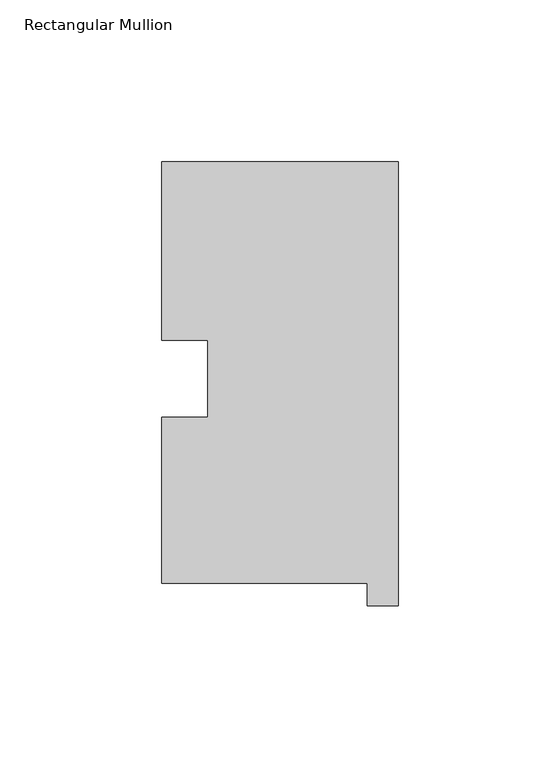
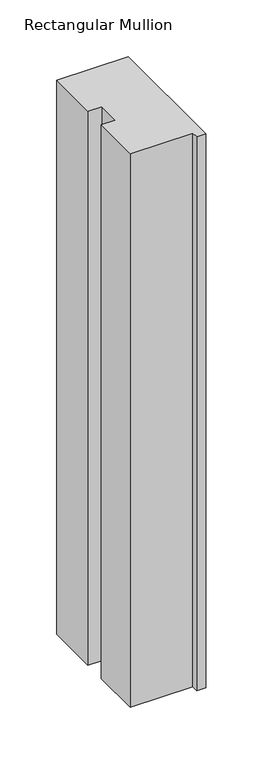
"""IFC4 building model written with IfcOpenShell, lengths in millimetres: member geometry, Rectangular Mullion."""

import ifcopenshell
import ifcopenshell.guid

model = None  # the IFC model being written
_history = None  # IfcOwnerHistory: only IFC2X3 demands one
_inside = {}  # id of a spatial element -> (the spatial element, [elements in it])
_under = {}  # id of a project, library or spatial element -> (it, [spatial elements below it])
_declared = {}  # id of a project -> (the project, [libraries it declares])
_typed = {}  # id of a type object -> (the type object, [elements of that type])
_made_of = {}  # id of a material, layer set ... -> (it, [elements and type objects made of it])


def new_model(schema):
    """Start an empty IFC model of exactly this schema.

    Asked for "IFC4X3", IfcOpenShell would pick the latest addendum, in which some entities
    have other attributes; the version numbers below select the first issue.
    IFC2X3 requires an IfcOwnerHistory on every rooted entity: one is made here for all.
    """
    global model, _history
    if schema == "IFC4X3":
        model = ifcopenshell.file(schema_version=(4, 3, 0, 0))
    else:
        model = ifcopenshell.file(schema=schema)
    _inside.clear()
    _under.clear()
    _declared.clear()
    _typed.clear()
    _made_of.clear()
    _history = None
    if model.schema == "IFC2X3":
        org = make("IfcOrganization", Name="unknown")
        user = make(
            "IfcPersonAndOrganization",
            ThePerson=make("IfcPerson", FamilyName="unknown"),
            TheOrganization=org,
        )
        app = make(
            "IfcApplication",
            ApplicationDeveloper=org,
            Version="unknown",
            ApplicationFullName="unknown",
            ApplicationIdentifier="unknown",
        )
        _history = make(
            "IfcOwnerHistory",
            OwningUser=user,
            OwningApplication=app,
            ChangeAction="ADDED",
            CreationDate=0,
        )
    return model


def make(cls, **values):
    """One entity of the class cls with the attributes given. An attribute that is None is left unset."""
    return model.create_entity(
        cls, **{name: value for name, value in values.items() if value is not None}
    )


def rooted(cls, **values):
    """An entity with a GlobalId (a new one), such as an element, a storey or a relation."""
    return make(cls, GlobalId=ifcopenshell.guid.new(), OwnerHistory=_history, **values)


def si_unit(unit_type, name, prefix=None):
    """IfcSIUnit, for example si_unit("LENGTHUNIT", "METRE", prefix="MILLI")."""
    return make("IfcSIUnit", UnitType=unit_type, Prefix=prefix, Name=name)


def assignment(units):
    """IfcUnitAssignment: the units of a project."""
    return None if units is None else make("IfcUnitAssignment", Units=units)


def point(xyz):
    """IfcCartesianPoint."""
    return None if xyz is None else make("IfcCartesianPoint", Coordinates=xyz)


def direction(xyz):
    """IfcDirection."""
    return None if xyz is None else make("IfcDirection", DirectionRatios=xyz)


def frame(location, z_axis=None, x_axis=None):
    """IfcAxis2Placement3D, a coordinate frame: its origin and axes. An axis left out is left unset."""
    return make(
        "IfcAxis2Placement3D",
        Location=point(location),
        Axis=direction(z_axis),
        RefDirection=direction(x_axis),
    )


def origin():
    """The frame at (0, 0, 0) with its axes left unset."""
    return frame((0.0, 0.0, 0.0))


def place(relative_to, where):
    """IfcLocalPlacement: puts the frame where relative to a parent placement (None: the world)."""
    return make(
        "IfcLocalPlacement", PlacementRelTo=relative_to, RelativePlacement=where
    )


def context(
    kind, dimensions, precision=None, world=None, true_north=None, identifier=None
):
    """IfcGeometricRepresentationContext, for example the 3D "Model" context."""
    return make(
        "IfcGeometricRepresentationContext",
        ContextIdentifier=identifier,
        ContextType=kind,
        CoordinateSpaceDimension=dimensions,
        Precision=precision,
        WorldCoordinateSystem=world,
        TrueNorth=true_north,
    )


def project(units=None, contexts=None):
    """IfcProject with its units and contexts."""
    return rooted(
        "IfcProject",
        Name="project",
        RepresentationContexts=contexts,
        UnitsInContext=assignment(units),
    )


def spatial(cls, under=None, at=None, **own):
    """A site, building, storey or space (cls), placed at a placement, below another one or the project."""
    s = rooted(cls, ObjectPlacement=at, **own)
    if under is not None:
        _under.setdefault(under.id(), (under, []))[1].append(s)
    return s


def polyline(points):
    """IfcPolyline through the points."""
    return make("IfcPolyline", Points=[point(p) for p in points])


def outline(outer, holes=None, kind="AREA"):
    """IfcArbitraryClosedProfileDef: a profile drawn as a closed curve; with holes, ...WithVoids."""
    if holes is None:
        return make("IfcArbitraryClosedProfileDef", ProfileType=kind, OuterCurve=outer)
    return make(
        "IfcArbitraryProfileDefWithVoids",
        ProfileType=kind,
        OuterCurve=outer,
        InnerCurves=holes,
    )


def extrude(swept, where, along, depth):
    """IfcExtrudedAreaSolid: the profile swept, set in the frame where, extruded along a direction by depth."""
    return make(
        "IfcExtrudedAreaSolid",
        SweptArea=swept,
        Position=where,
        ExtrudedDirection=direction(along),
        Depth=depth,
    )


def shape(context_of_items, identifier, shape_type, items):
    """IfcShapeRepresentation: the items that make up one representation, for example the "Body"."""
    return make(
        "IfcShapeRepresentation",
        ContextOfItems=context_of_items,
        RepresentationIdentifier=identifier,
        RepresentationType=shape_type,
        Items=items,
    )


def source(mapping_origin, context_of_items, identifier, shape_type, items):
    """IfcRepresentationMap: a shape defined once, which mapped items show again and again."""
    return make(
        "IfcRepresentationMap",
        MappingOrigin=mapping_origin,
        MappedRepresentation=shape(context_of_items, identifier, shape_type, items),
    )


def transform(
    local_origin,
    x_axis=None,
    y_axis=None,
    z_axis=None,
    scale=None,
    scale2=None,
    scale3=None,
    uniform=True,
):
    """IfcCartesianTransformationOperator3D, or its non-uniform kind. x_axis, y_axis, z_axis: its Axis1, 2, 3."""
    if uniform:
        return make(
            "IfcCartesianTransformationOperator3D",
            Axis1=direction(x_axis),
            Axis2=direction(y_axis),
            LocalOrigin=point(local_origin),
            Scale=scale,
            Axis3=direction(z_axis),
        )
    return make(
        "IfcCartesianTransformationOperator3DnonUniform",
        Axis1=direction(x_axis),
        Axis2=direction(y_axis),
        LocalOrigin=point(local_origin),
        Scale=scale,
        Axis3=direction(z_axis),
        Scale2=scale2,
        Scale3=scale3,
    )


def mapped(mapping_source, mapping_target):
    """IfcMappedItem: shows the shape of a source again, moved by a transform."""
    return make(
        "IfcMappedItem", MappingSource=mapping_source, MappingTarget=mapping_target
    )


def made_of(thing, what):
    """Note that an element or type object is made of a material, layer set ...; save() writes the relation."""
    if what is not None:
        _made_of.setdefault(what.id(), (what, []))[1].append(thing)
    return thing


def element(
    cls,
    number,
    at=None,
    inside=None,
    cuts=None,
    type_object=None,
    material=None,
    context=None,
    identifier="Body",
    shape_type=None,
    held_by="IfcProductDefinitionShape",
    body=None,
    shapes=None,
    **own,
):
    """One element of the class cls, such as IfcWall. Its Tag is "e" and its number.

    at: its placement. inside: the storey or other place that contains it. cuts: it is an
    opening in that element (IfcRelVoidsElement). A single representation is given by context,
    identifier, shape_type and body (its items); several are given by shapes. held_by: the class
    of the entity that holds the representations. save() writes the other relations.
    """
    e = rooted(cls, Tag="e%d" % number, ObjectPlacement=at, **own)
    if body is not None:
        shapes = [shape(context, identifier, shape_type, body)]
    if shapes is not None:
        e.Representation = make(held_by, Representations=shapes)
    if inside is not None:
        _inside.setdefault(inside.id(), (inside, []))[1].append(e)
    if cuts is not None:
        rooted(
            "IfcRelVoidsElement", RelatingBuildingElement=cuts, RelatedOpeningElement=e
        )
    if type_object is not None:
        _typed.setdefault(type_object.id(), (type_object, []))[1].append(e)
    return made_of(e, material)


def aggregate(whole, parts):
    """IfcRelAggregates: a whole, such as a stair, and the parts it consists of."""
    return rooted("IfcRelAggregates", RelatingObject=whole, RelatedObjects=parts)


def save(model, path):
    """Write the relations noted so far, then the file.

    IfcRelAggregates (storeys below a building ...), IfcRelContainedInSpatialStructure (elements
    in a storey), IfcRelDefinesByType, IfcRelAssociatesMaterial and IfcRelDeclares: one each for
    every whole, place, type object, material and project.
    """
    for whole, parts in _under.values():
        aggregate(whole, parts)
    for where, things in _inside.values():
        rooted(
            "IfcRelContainedInSpatialStructure",
            RelatedElements=things,
            RelatingStructure=where,
        )
    for kind, things in _typed.values():
        rooted("IfcRelDefinesByType", RelatedObjects=things, RelatingType=kind)
    for what, things in _made_of.values():
        rooted("IfcRelAssociatesMaterial", RelatedObjects=things, RelatingMaterial=what)
    for by, libraries in _declared.values():
        rooted("IfcRelDeclares", RelatingContext=by, RelatedDefinitions=libraries)
    model.write(path)


def rectangular_mullion_dfad20b2(model_context):
    return source(origin(), model_context, "Body", "SweptSolid", [
        extrude(outline(polyline([(-9.525, 0.26035), (-73.025, 0.26035), (-73.025, 51.60645), (-58.785125, 51.60645), (-58.785125, 75.40625), (-73.025, 75.40625), (-73.025, 130.56235), (0.0, 130.56235), (0.0, -6.64845), (-9.525, -6.64845), (-9.525, 0.26035)])), frame((0.0, 0.0, -596.9063827), z_axis=(0.0, 0.0, 1.0), x_axis=(1.0, 0.0, 0.0)), (0.0, 0.0, 1.0), 596.9063827),
    ])


if __name__ == "__main__":
    model = new_model("IFC4")
    model_context = context("Model", 3, world=origin())
    ifc_project = project(units=[si_unit("LENGTHUNIT", "METRE", prefix="MILLI")], contexts=[model_context])
    site = spatial("IfcSite", under=ifc_project)
    building = spatial("IfcBuilding", under=site)
    placement = place(None, origin())
    rectangular_mullion_shape = rectangular_mullion_dfad20b2(model_context)
    element("IfcMember", 1, ObjectType="Rectangular Mullion", at=placement, inside=building, context=model_context, shape_type="MappedRepresentation", body=[
        mapped(rectangular_mullion_shape, transform((0.0, 0.0, 0.0), x_axis=(1.0, 0.0, 0.0), y_axis=(0.0, 1.0, 0.0), z_axis=(0.0, 0.0, 1.0))),
    ])
    save(model, "model.ifc")
